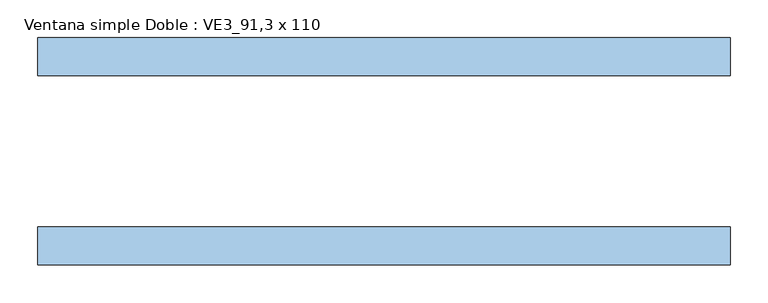
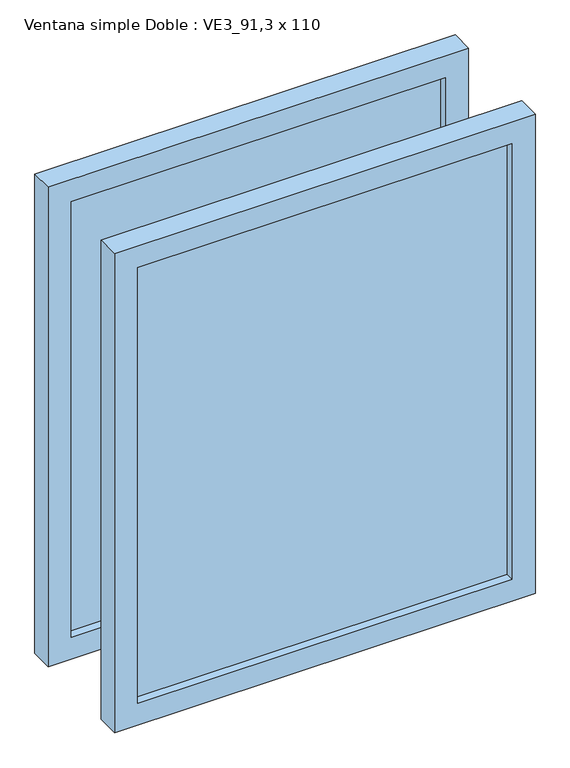
"""IFC4 building model written with IfcOpenShell, lengths in millimetres: window geometry, Ventana simple Doble : VE3_91,3 x 110."""

from ifc_helpers import new_model, si_unit, frame, origin, place, context, project, spatial, polyline, outline, extrude, source, transform, mapped, element, save


def ventana_simple_doble_ve3_91_3_x_110_667e66eb(model_context):
    return source(origin(), model_context, "Body", "SweptSolid", [
        extrude(outline(polyline([(406.5, -131.5), (-406.5, -131.5), (-406.5, -118.5), (406.5, -118.5), (406.5, -131.5)])), frame((0.0, 0.0, 850.0), z_axis=(0.0, 0.0, 1.0), x_axis=(1.0, 0.0, 0.0)), (0.0, 0.0, 1.0), 1000.0),
        extrude(outline(polyline([(800.0, 456.5), (1900.0, 456.5), (1900.0, -456.5), (800.0, -456.5), (800.0, 456.5)]), holes=[polyline([(1850.0, 406.5), (850.0, 406.5), (850.0, -406.5), (1850.0, -406.5), (1850.0, 406.5)])]), frame((0.0, -150.0, 0.0), z_axis=(0.0, 1.0, 0.0), x_axis=(0.0, 0.0, 1.0)), (0.0, 0.0, 1.0), 50.0),
        extrude(outline(polyline([(406.5, 131.5), (406.5, 118.5), (-406.5, 118.5), (-406.5, 131.5), (406.5, 131.5)])), frame((0.0, 0.0, 850.0), z_axis=(0.0, 0.0, 1.0), x_axis=(1.0, 0.0, 0.0)), (0.0, 0.0, 1.0), 1000.0),
        extrude(outline(polyline([(1900.0, 456.5), (1900.0, -456.5), (800.0, -456.5), (800.0, 456.5), (1900.0, 456.5)]), holes=[polyline([(850.0, 406.5), (850.0, -406.5), (1850.0, -406.5), (1850.0, 406.5), (850.0, 406.5)])]), frame((0.0, 100.0, 0.0), z_axis=(0.0, 1.0, 0.0), x_axis=(0.0, 0.0, 1.0)), (0.0, 0.0, 1.0), 50.0),
    ])


if __name__ == "__main__":
    model = new_model("IFC4")
    model_context = context("Model", 3, world=origin())
    ifc_project = project(units=[si_unit("LENGTHUNIT", "METRE", prefix="MILLI")], contexts=[model_context])
    site = spatial("IfcSite", under=ifc_project)
    building = spatial("IfcBuilding", under=site)
    placement = place(None, origin())
    ventana_simple_doble_ve3_91_3_x_110_shape = ventana_simple_doble_ve3_91_3_x_110_667e66eb(model_context)
    element("IfcWindow", 1, ObjectType="Ventana simple Doble : VE3_91,3 x 110", at=placement, inside=building, context=model_context, shape_type="MappedRepresentation", body=[
        mapped(ventana_simple_doble_ve3_91_3_x_110_shape, transform((0.0, 0.0, 0.0), x_axis=(1.0, 0.0, 0.0), y_axis=(0.0, 1.0, 0.0), z_axis=(0.0, 0.0, 1.0))),
    ])
    save(model, "model.ifc")
